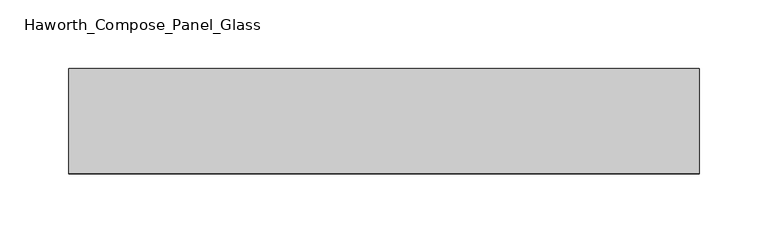
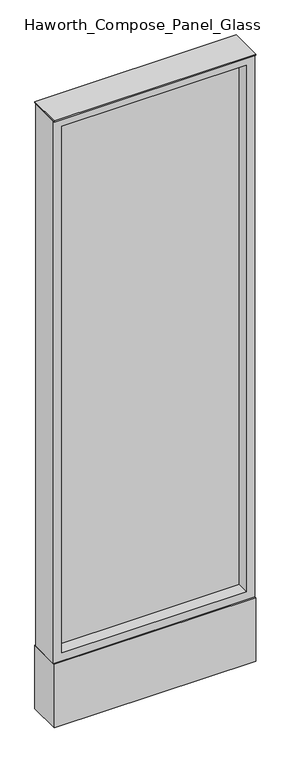
"""IFC4 building model written with IfcOpenShell, lengths in millimetres: furniture geometry, Haworth_Compose_Panel_Glass."""

from ifc_helpers import new_model, si_unit, point, frame, frame_2d, origin, origin_with_axes, place, context, project, spatial, polyline, circle_curve, trimmed, segment, composite_curve, outline, extrude, source, transform, mapped, element, save


def haworth_compose_panel_glass_86197a4c(model_context):
    return source(origin(), model_context, "Body", "SweptSolid", [
        extrude(outline(composite_curve([segment(trimmed(circle_curve(frame_2d((154.8402902, 0.0)), 12.7), [point((142.1402902, 0.0))], [point((167.5402902, 0.0))], False, "CARTESIAN"), True, "CONTINUOUS"), segment(trimmed(circle_curve(frame_2d((154.8402902, 0.0)), 12.7), [point((167.5402902, 0.0))], [point((142.1402902, 0.0))], False, "CARTESIAN"), True, "CONTINUOUS")], self_intersect=False)), origin_with_axes(), (0.0, 0.0, 1.0), 12.7),
        extrude(outline(composite_curve([segment(trimmed(circle_curve(frame_2d((-149.9597098, 0.0)), 12.7), [point((-162.6597098, 0.0))], [point((-137.2597098, 0.0))], False, "CARTESIAN"), True, "CONTINUOUS"), segment(trimmed(circle_curve(frame_2d((-149.9597098, 0.0)), 12.7), [point((-137.2597098, 0.0))], [point((-162.6597098, 0.0))], False, "CARTESIAN"), True, "CONTINUOUS")], self_intersect=False)), origin_with_axes(), (0.0, 0.0, 1.0), 12.7),
        extrude(outline(polyline([(211.9902902, -6.35), (-207.1097098, -6.35), (-207.1097098, 6.35), (211.9902902, 6.35), (211.9902902, -6.35)])), frame((0.0, 0.0, 184.15), z_axis=(0.0, 0.0, 1.0), x_axis=(1.0, 0.0, 0.0)), (0.0, 0.0, 1.0), 1263.65),
        extrude(outline(polyline([(1466.85, -226.1597098), (165.1, -226.1597098), (165.1, 231.0402902), (1466.85, 231.0402902), (1466.85, -226.1597098)]), holes=[polyline([(1447.8, 211.9902902), (184.15, 211.9902902), (184.15, -207.1097098), (1447.8, -207.1097098), (1447.8, 211.9902902)])]), frame((0.0, -34.925, 0.0), z_axis=(0.0, 1.0, 0.0), x_axis=(0.0, 0.0, 1.0)), (0.0, 0.0, 1.0), 69.85),
        extrude(outline(polyline([(-226.1597098, 38.1), (231.0402902, 38.1), (231.0402902, -38.1), (-226.1597098, -38.1), (-226.1597098, 38.1)])), frame((0.0, 0.0, 12.7), z_axis=(0.0, 0.0, 1.0), x_axis=(1.0, 0.0, 0.0)), (0.0, 0.0, 1.0), 152.4),
        extrude(outline(polyline([(-226.1597098, -38.1), (-226.1597098, 38.1), (231.0402902, 38.1), (231.0402902, -38.1), (-226.1597098, -38.1)])), frame((0.0, 0.0, 1466.85), z_axis=(0.0, 0.0, 1.0), x_axis=(1.0, 0.0, 0.0)), (0.0, 0.0, 1.0), 3.175),
    ])


if __name__ == "__main__":
    model = new_model("IFC4")
    model_context = context("Model", 3, world=origin())
    ifc_project = project(units=[si_unit("LENGTHUNIT", "METRE", prefix="MILLI")], contexts=[model_context])
    site = spatial("IfcSite", under=ifc_project)
    building = spatial("IfcBuilding", under=site)
    placement = place(None, origin())
    haworth_compose_panel_glass_shape = haworth_compose_panel_glass_86197a4c(model_context)
    element("IfcFurniture", 1, ObjectType="Haworth_Compose_Panel_Glass", at=placement, inside=building, context=model_context, shape_type="MappedRepresentation", body=[
        mapped(haworth_compose_panel_glass_shape, transform((0.0, 0.0, 0.0), x_axis=(1.0, 0.0, 0.0), y_axis=(0.0, 1.0, 0.0), z_axis=(0.0, 0.0, 1.0))),
    ])
    save(model, "model.ifc")
